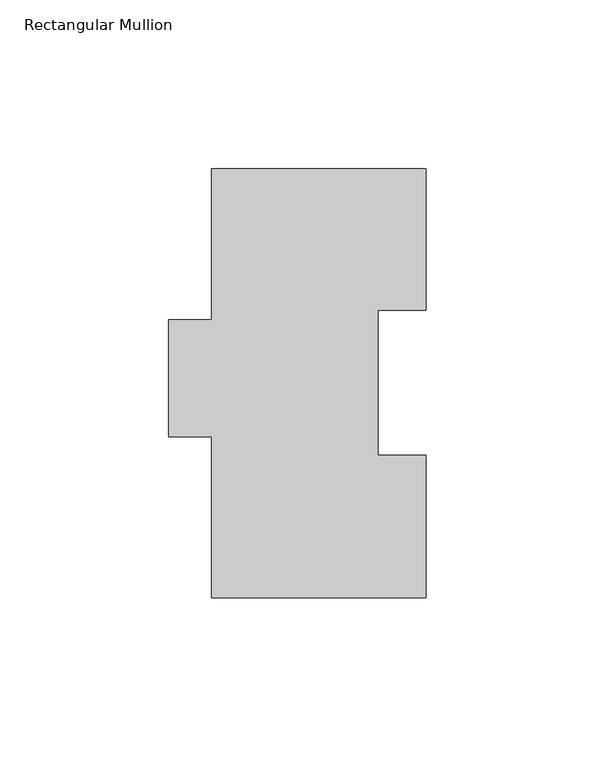
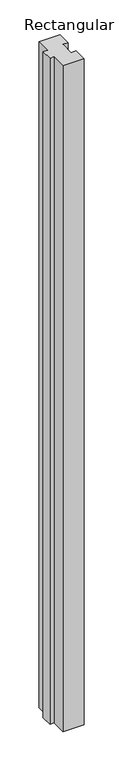
"""IFC4 building model written with IfcOpenShell, lengths in millimetres: member geometry, Rectangular Mullion."""

from ifc_helpers import new_model, si_unit, frame, origin, place, context, project, spatial, polyline, outline, extrude, source, transform, mapped, element, save


def rectangular_mullion_de9fc80d(model_context):
    return source(origin(), model_context, "Body", "SweptSolid", [
        extrude(outline(polyline([(31.75, 126.9888875), (31.75, 85.1296875), (17.4625, 85.1296875), (17.4625, 42.2798875), (31.75, 42.2798875), (31.75, -0.0111125), (-31.75, -0.0111125), (-31.75, 47.6138875), (-44.45, 47.6138875), (-44.45, 82.2848875), (-31.75, 82.2848875), (-31.75, 126.9888875), (31.75, 126.9888875)])), frame((0.0, 0.0, -2133.6), z_axis=(0.0, 0.0, 1.0), x_axis=(1.0, 0.0, 0.0)), (0.0, 0.0, 1.0), 2133.6),
    ])


if __name__ == "__main__":
    model = new_model("IFC4")
    model_context = context("Model", 3, world=origin())
    ifc_project = project(units=[si_unit("LENGTHUNIT", "METRE", prefix="MILLI")], contexts=[model_context])
    site = spatial("IfcSite", under=ifc_project)
    building = spatial("IfcBuilding", under=site)
    placement = place(None, origin())
    rectangular_mullion_shape = rectangular_mullion_de9fc80d(model_context)
    element("IfcMember", 1, ObjectType="Rectangular Mullion", at=placement, inside=building, context=model_context, shape_type="MappedRepresentation", body=[
        mapped(rectangular_mullion_shape, transform((0.0, 0.0, 0.0), x_axis=(1.0, 0.0, 0.0), y_axis=(0.0, 1.0, 0.0), z_axis=(0.0, 0.0, 1.0))),
    ])
    save(model, "model.ifc")
